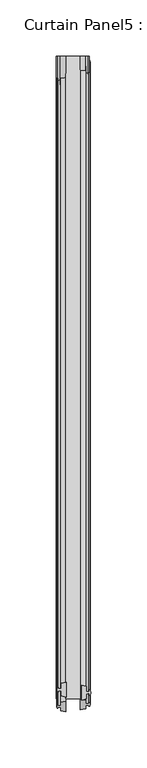
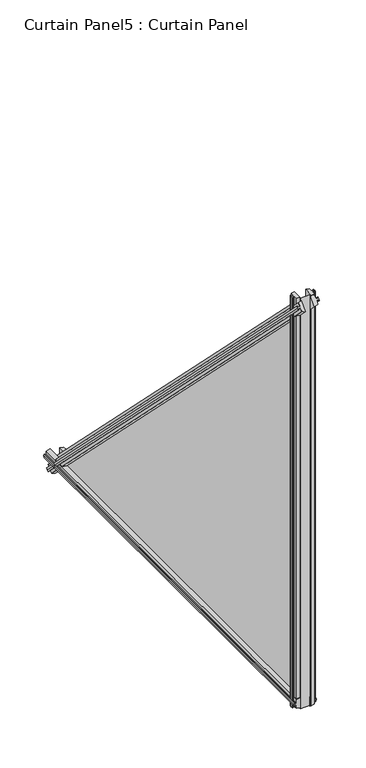
"""IFC4 building model written with IfcOpenShell, lengths in millimetres: plate geometry, Curtain Panel5 : Curtain Panel."""

from ifc_helpers import new_model, si_unit, frame, origin, place, context, project, spatial, polyline, outline, extrude, source, transform, mapped, element, save


def curtain_panel5_curtain_panel_a3e1ba00(model_context):
    return source(origin(), model_context, "Body", "SweptSolid", [
        extrude(outline(polyline([(6.9813574, 7.7036656), (7.2353574, 9.2530656), (4.5175574, 8.7704656), (4.5175574, 4.4778656), (0.0, 3.3293341), (0.0, 16.7515972), (4.5175574, 15.6030656), (4.5175574, 11.3104656), (7.2353574, 10.8278656), (6.9813574, 12.3772656), (7.7941574, 12.3772656), (8.2005574, 10.0404657), (7.7941574, 7.7036656), (6.9813574, 7.7036656)])), frame((-5117.4011305, 3552.5528633, 1727.321074), z_axis=(0.0, -0.7071067811865539, 0.7071067811865412), x_axis=(-1.0, 0.0, 0.0)), (0.0, 0.0, 1.0), 810.6931136),
        extrude(outline(polyline([(-17.9505207, 1.8616656), (-17.9505207, 6.1542656), (-20.6683207, 6.6368656), (-20.4143207, 5.0874656), (-21.2271207, 5.0874656), (-21.6335207, 7.4242656), (-21.2271207, 9.7610656), (-20.4143207, 9.7610656), (-20.6683207, 8.2116656), (-17.9505207, 8.6942657), (-17.9505207, 12.9868656), (-12.8524, 14.282998), (-12.8524, 0.5655333), (-17.9505207, 1.8616656)])), frame((-5117.4011305, 3552.5528633, 1727.321074), z_axis=(0.0, -0.7071067811865539, 0.7071067811865412), x_axis=(-1.0, 0.0, 0.0)), (0.0, 0.0, 1.0), 810.6931136),
        extrude(outline(polyline([(-5117.0551888, 2993.9423253), (-5117.0551888, 2980.5875321), (-5121.4400554, 2981.7023287), (-5121.4400554, 2985.9949287), (-5124.1578554, 2986.4775287), (-5123.9038554, 2984.9281287), (-5124.7166554, 2984.9281287), (-5125.1230554, 2987.2649287), (-5124.7166554, 2989.6017287), (-5123.9038554, 2989.6017287), (-5124.1578554, 2988.0523287), (-5121.4400554, 2988.5349287), (-5121.4400554, 2992.8275287), (-5117.0551888, 2993.9423253)])), frame((0.0, 0.0, 1727.321074), z_axis=(0.0, 0.0, 1.0), x_axis=(1.0, 0.0, 0.0)), (0.0, 0.0, 1.0), 573.2465981),
        extrude(outline(polyline([(-5103.3459221, 2991.3007253), (-5098.9610554, 2990.1859287), (-5098.9610554, 2985.8933287), (-5096.2432554, 2985.4107287), (-5096.4972554, 2986.9601287), (-5095.6844554, 2986.9601287), (-5095.2780554, 2984.6233287), (-5095.6844554, 2982.2865287), (-5096.4972554, 2982.2865287), (-5096.2432554, 2983.8359287), (-5098.9610554, 2983.3533287), (-5098.9610554, 2979.0607287), (-5103.3459221, 2977.9459321), (-5103.3459221, 2991.3007253)])), frame((0.0, 0.0, 1727.321074), z_axis=(0.0, 0.0, 1.0), x_axis=(1.0, 0.0, 0.0)), (0.0, 0.0, 1.0), 573.2465981),
        extrude(outline(polyline([(1742.2865968, -5117.4011305), (1741.0189844, -5122.3870725), (1736.7263844, -5122.3870725), (1736.2437844, -5125.1048725), (1737.7931844, -5124.8508725), (1737.7931844, -5125.6636725), (1735.4563844, -5126.0700725), (1733.1195844, -5125.6636725), (1733.1195844, -5124.8508725), (1734.6689844, -5125.1048725), (1734.1863844, -5122.3870725), (1729.8937844, -5122.3870725), (1728.6261721, -5117.4011305), (1742.2865968, -5117.4011305)])), frame((0.0, 2979.3062652, 0.0), z_axis=(0.0, 1.0, 0.0), x_axis=(0.0, 0.0, 1.0)), (0.0, 0.0, 1.0), 573.2465981),
        extrude(outline(polyline([(1739.5572127, -5104.5487305), (1726.0723561, -5104.5487305), (1727.2521844, -5099.9080725), (1731.5447844, -5099.9080725), (1732.0273844, -5097.1902725), (1730.4779844, -5097.4442725), (1730.4779844, -5096.6314725), (1732.8147844, -5096.2250725), (1735.1515844, -5096.6314725), (1735.1515844, -5097.4442725), (1733.6021844, -5097.1902725), (1734.0847844, -5099.9080725), (1738.3773844, -5099.9080725), (1739.5572127, -5104.5487305)])), frame((0.0, 2979.3062652, 0.0), z_axis=(0.0, 1.0, 0.0), x_axis=(0.0, 0.0, 1.0)), (0.0, 0.0, 1.0), 573.2465981),
        extrude(outline(polyline([(3552.5528633, 1727.321074), (2979.3062652, 1727.321074), (2979.3062652, 2300.5676721), (3552.5528633, 1727.321074)])), frame((-5117.4011305, 0.0, 0.0), z_axis=(1.0, 0.0, 0.0), x_axis=(0.0, 1.0, 0.0)), (0.0, 0.0, 1.0), 12.8524),
    ])


if __name__ == "__main__":
    model = new_model("IFC4")
    model_context = context("Model", 3, world=origin())
    ifc_project = project(units=[si_unit("LENGTHUNIT", "METRE", prefix="MILLI")], contexts=[model_context])
    site = spatial("IfcSite", under=ifc_project)
    building = spatial("IfcBuilding", under=site)
    placement = place(None, origin())
    curtain_panel5_curtain_panel_shape = curtain_panel5_curtain_panel_a3e1ba00(model_context)
    element("IfcPlate", 1, ObjectType="Curtain Panel5 : Curtain Panel", at=placement, inside=building, context=model_context, shape_type="MappedRepresentation", body=[
        mapped(curtain_panel5_curtain_panel_shape, transform((0.0, 0.0, 0.0), x_axis=(1.0, 0.0, 0.0), y_axis=(0.0, 1.0, 0.0), z_axis=(0.0, 0.0, 1.0))),
    ])
    save(model, "model.ifc")
